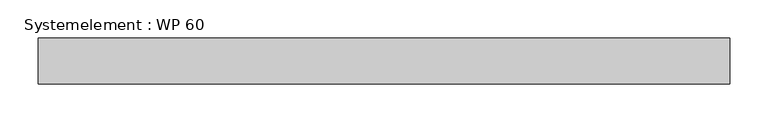
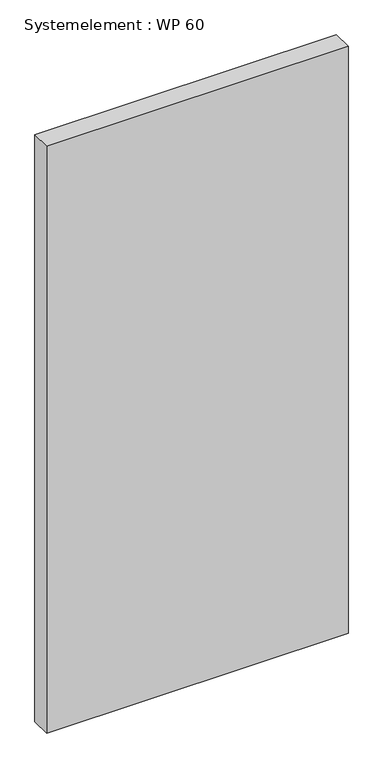
"""IFC4 building model written with IfcOpenShell, lengths in millimetres: plate geometry, Systemelement : WP 60."""

from ifc_helpers import new_model, si_unit, origin, origin_with_axes, place, context, project, spatial, polyline, outline, extrude, source, transform, mapped, element, save


def systemelement_wp_60_540c4e03(model_context):
    return source(origin(), model_context, "Body", "SweptSolid", [
        extrude(outline(polyline([(450.0, -60.0), (-450.0, -60.0), (-450.0, 0.0), (450.0, 0.0), (450.0, -60.0)])), origin_with_axes(), (0.0, 0.0, 1.0), 1851.6147161),
    ])


if __name__ == "__main__":
    model = new_model("IFC4")
    model_context = context("Model", 3, world=origin())
    ifc_project = project(units=[si_unit("LENGTHUNIT", "METRE", prefix="MILLI")], contexts=[model_context])
    site = spatial("IfcSite", under=ifc_project)
    building = spatial("IfcBuilding", under=site)
    placement = place(None, origin())
    systemelement_wp_60_shape = systemelement_wp_60_540c4e03(model_context)
    element("IfcPlate", 1, ObjectType="Systemelement : WP 60", at=placement, inside=building, context=model_context, shape_type="MappedRepresentation", body=[
        mapped(systemelement_wp_60_shape, transform((0.0, 0.0, 0.0), x_axis=(1.0, 0.0, 0.0), y_axis=(0.0, 1.0, 0.0), z_axis=(0.0, 0.0, 1.0))),
    ])
    save(model, "model.ifc")
